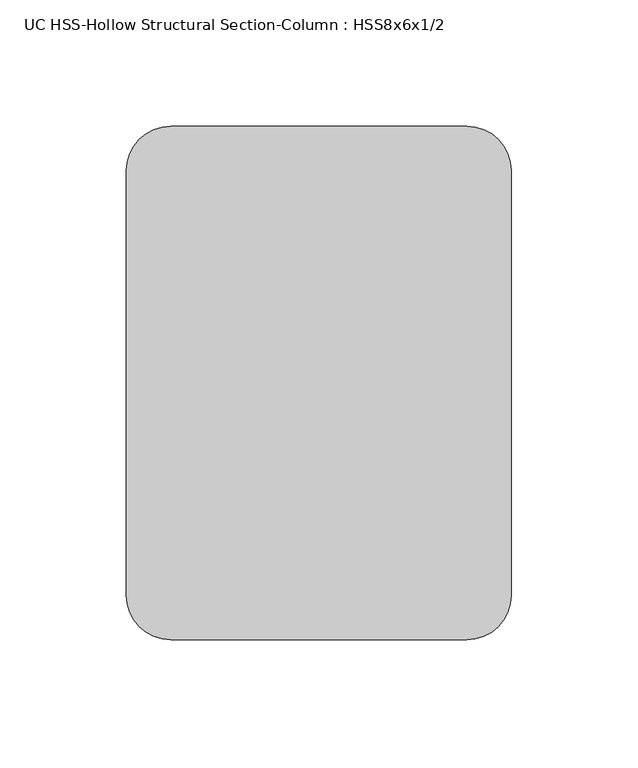
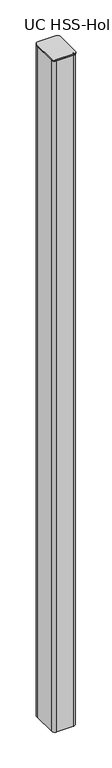
"""IFC4 building model written with IfcOpenShell, lengths in millimetres: column geometry, UC HSS-Hollow Structural Section-Column : HSS8x6x1/2."""

from ifc_helpers import new_model, si_unit, point, frame, frame_2d, origin, place, context, project, spatial, polyline, circle_curve, trimmed, segment, composite_curve, outline, extrude, source, transform, mapped, element, save


def uc_hss_hollow_structural_section_column_hss8x6x1_2_66be72d4(model_context):
    return source(origin(), model_context, "Body", "SweptSolid", [
        extrude(outline(composite_curve([segment(polyline([(-76.2, -83.9390625), (-76.2, 83.9390625)]), True, "CONTINUOUS"), segment(trimmed(circle_curve(frame_2d((-58.5390625, 83.9390625)), 17.6609375), [point((-76.2, 83.9390625))], [point((-58.5390625, 101.6))], False, "CARTESIAN"), True, "CONTINUOUS"), segment(polyline([(-58.5390625, 101.6), (58.5390625, 101.6)]), True, "CONTINUOUS"), segment(trimmed(circle_curve(frame_2d((58.5390625, 83.9390625)), 17.6609375), [point((58.5390625, 101.6))], [point((76.2, 83.9390625))], False, "CARTESIAN"), True, "CONTINUOUS"), segment(polyline([(76.2, 83.9390625), (76.2, -83.9390625)]), True, "CONTINUOUS"), segment(trimmed(circle_curve(frame_2d((58.5390625, -83.9390625)), 17.6609375), [point((76.2, -83.9390625))], [point((58.5390625, -101.6))], False, "CARTESIAN"), True, "CONTINUOUS"), segment(polyline([(58.5390625, -101.6), (-58.5390625, -101.6)]), True, "CONTINUOUS"), segment(trimmed(circle_curve(frame_2d((-58.5390625, -83.9390625)), 17.6609375), [point((-58.5390625, -101.6))], [point((-76.2, -83.9390625))], False, "CARTESIAN"), True, "CONTINUOUS")], self_intersect=False)), frame((0.0, 0.0, 43986.45), z_axis=(0.0, 0.0, 1.0), x_axis=(1.0, 0.0, 0.0)), (0.0, 0.0, 1.0), 6.35),
        extrude(outline(composite_curve([segment(polyline([(52.578, -101.6), (-52.578, -101.6)]), True, "CONTINUOUS"), segment(trimmed(circle_curve(frame_2d((-52.578, -77.978)), 23.622), [point((-52.578, -101.6))], [point((-76.2, -77.978))], False, "CARTESIAN"), True, "CONTINUOUS"), segment(polyline([(-76.2, -77.978), (-76.2, 77.978)]), True, "CONTINUOUS"), segment(trimmed(circle_curve(frame_2d((-52.578, 77.978)), 23.622), [point((-76.2, 77.978))], [point((-52.578, 101.6))], False, "CARTESIAN"), True, "CONTINUOUS"), segment(polyline([(-52.578, 101.6), (52.578, 101.6)]), True, "CONTINUOUS"), segment(trimmed(circle_curve(frame_2d((52.578, 77.978)), 23.622), [point((52.578, 101.6))], [point((76.2, 77.978))], False, "CARTESIAN"), True, "CONTINUOUS"), segment(polyline([(76.2, 77.978), (76.2, -77.978)]), True, "CONTINUOUS"), segment(trimmed(circle_curve(frame_2d((52.578, -77.978)), 23.622), [point((76.2, -77.978))], [point((52.578, -101.6))], False, "CARTESIAN"), True, "CONTINUOUS")], self_intersect=False), holes=[composite_curve([segment(trimmed(circle_curve(frame_2d((52.578, -77.978)), 11.811), [point((52.578, -89.789))], [point((64.389, -77.978))], True, "CARTESIAN"), True, "CONTINUOUS"), segment(polyline([(64.389, -77.978), (64.389, 77.978)]), True, "CONTINUOUS"), segment(trimmed(circle_curve(frame_2d((52.578, 77.978)), 11.811), [point((64.389, 77.978))], [point((52.578, 89.789))], True, "CARTESIAN"), True, "CONTINUOUS"), segment(polyline([(52.578, 89.789), (-52.578, 89.789)]), True, "CONTINUOUS"), segment(trimmed(circle_curve(frame_2d((-52.578, 77.978)), 11.811), [point((-52.578, 89.789))], [point((-64.389, 77.978))], True, "CARTESIAN"), True, "CONTINUOUS"), segment(polyline([(-64.389, 77.978), (-64.389, -77.978)]), True, "CONTINUOUS"), segment(trimmed(circle_curve(frame_2d((-52.578, -77.978)), 11.811), [point((-64.389, -77.978))], [point((-52.578, -89.789))], True, "CARTESIAN"), True, "CONTINUOUS"), segment(polyline([(-52.578, -89.789), (52.578, -89.789)]), True, "CONTINUOUS")], self_intersect=False)]), frame((0.0, 0.0, 39420.8), z_axis=(0.0, 0.0, 1.0), x_axis=(1.0, 0.0, 0.0)), (0.0, 0.0, 1.0), 4565.65),
    ])


if __name__ == "__main__":
    model = new_model("IFC4")
    model_context = context("Model", 3, world=origin())
    ifc_project = project(units=[si_unit("LENGTHUNIT", "METRE", prefix="MILLI")], contexts=[model_context])
    site = spatial("IfcSite", under=ifc_project)
    building = spatial("IfcBuilding", under=site)
    placement = place(None, origin())
    uc_hss_hollow_structural_section_column_hss8x6x1_2_shape = uc_hss_hollow_structural_section_column_hss8x6x1_2_66be72d4(model_context)
    element("IfcColumn", 1, ObjectType="UC HSS-Hollow Structural Section-Column : HSS8x6x1/2", at=placement, inside=building, context=model_context, shape_type="MappedRepresentation", body=[
        mapped(uc_hss_hollow_structural_section_column_hss8x6x1_2_shape, transform((0.0, 0.0, 0.0), x_axis=(1.0, 0.0, 0.0), y_axis=(0.0, 1.0, 0.0), z_axis=(0.0, 0.0, 1.0))),
    ])
    save(model, "model.ifc")
